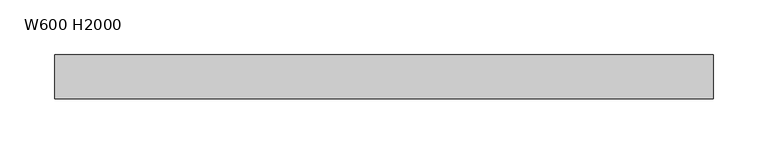
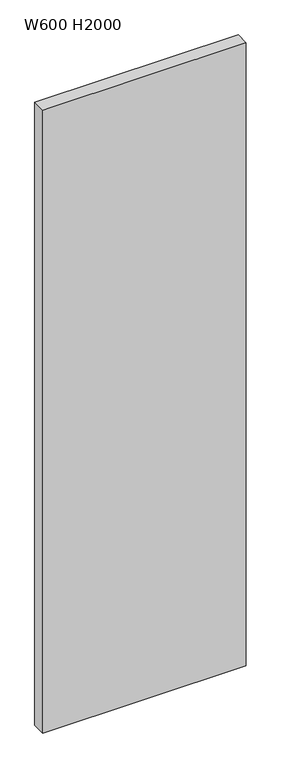
"""IFC4 building model written with IfcOpenShell, lengths in millimetres: proxy geometry, W600 H2000."""

from ifc_helpers import new_model, si_unit, frame, origin, place, context, project, spatial, polyline, outline, extrude, source, transform, mapped, element, save


def w600_h2000_381ad4ff(model_context):
    return source(origin(), model_context, "Body", "SweptSolid", [
        extrude(outline(polyline([(425.0, -20.0), (-175.0, -20.0), (-175.0, 20.0), (425.0, 20.0), (425.0, -20.0)])), frame((0.0, 0.0, 60.0), z_axis=(0.0, 0.0, 1.0), x_axis=(1.0, 0.0, 0.0)), (0.0, 0.0, 1.0), 1940.0),
    ])


if __name__ == "__main__":
    model = new_model("IFC4")
    model_context = context("Model", 3, world=origin())
    ifc_project = project(units=[si_unit("LENGTHUNIT", "METRE", prefix="MILLI")], contexts=[model_context])
    site = spatial("IfcSite", under=ifc_project)
    building = spatial("IfcBuilding", under=site)
    placement = place(None, origin())
    w600_h2000_shape = w600_h2000_381ad4ff(model_context)
    element("IfcBuildingElementProxy", 1, Name="W600 H2000", ObjectType="W600 H2000", at=placement, inside=building, context=model_context, shape_type="MappedRepresentation", body=[
        mapped(w600_h2000_shape, transform((0.0, 0.0, 0.0), x_axis=(1.0, 0.0, 0.0), y_axis=(0.0, 1.0, 0.0), z_axis=(0.0, 0.0, 1.0))),
    ])
    save(model, "model.ifc")
